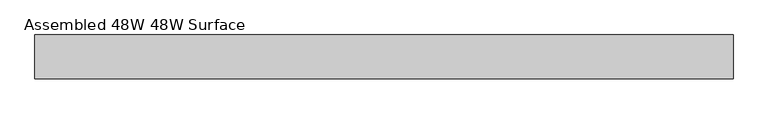
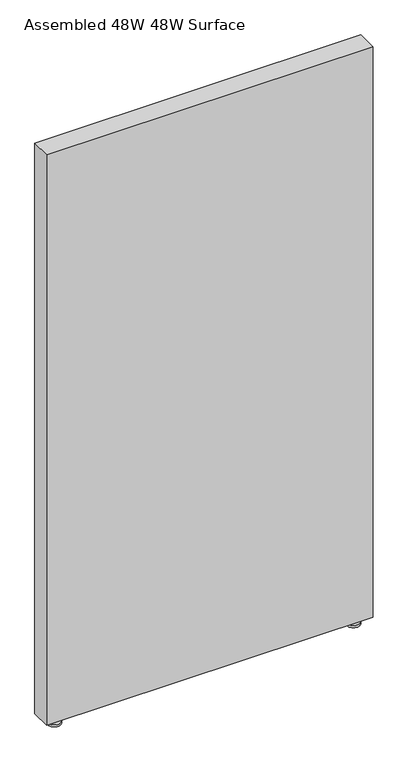
"""IFC4 building model written with IfcOpenShell, lengths in millimetres: furniture geometry, Assembled 48W 48W Surface."""

from ifc_helpers import new_model, si_unit, frame, origin, place, context, project, spatial, polyline, circle_curve, outline, extrude, source, transform, mapped, element, save
from ifc_brep_helpers import plane_surface, cylinder_surface, advanced_brep


def assembled_48w_48w_surface_02d0f17e(model_context):
    return source(origin(), model_context, "Body", "SolidModel", [
        advanced_brep(
        [(1144.6500083, 50.7999992, 0.0), (1192.1500159, 50.7999992, 0.0), (1168.4000121, 50.7999992, 0.0), (1144.6500083, 50.7999992, 8.0944096), (1192.1500159, 50.7999992, 8.0944096), (1163.6375121, 50.7999992, 8.0944096), (1173.1625121, 50.7999992, 8.0944096), (1163.6375121, 50.7999992, 30.1625008), (1173.1625121, 50.7999992, 30.1625008), (1168.4000121, 50.7999992, 30.1625008)],
        [
            (0, 1, circle_curve(frame((1168.4000121, 50.7999992, 0.0), z_axis=(0.0, 0.0, -1.0), x_axis=(1.0, 0.0, 0.0)), 23.7500038)),
            (1, 2),
            (2, 0),
            (1, 0, circle_curve(frame((1168.4000121, 50.7999992, 0.0), z_axis=(0.0, 0.0, -1.0), x_axis=(1.0, 0.0, 0.0)), 23.7500038)),
            (3, 4, circle_curve(frame((1168.4000121, 50.7999992, 8.0944096), z_axis=(0.0, 0.0, -1.0), x_axis=(1.0, 0.0, 0.0)), 23.7500038)),
            (4, 1),
            (0, 3),
            (4, 3, circle_curve(frame((1168.4000121, 50.7999992, 8.0944096), z_axis=(0.0, 0.0, -1.0), x_axis=(1.0, 0.0, 0.0)), 23.7500038)),
            (5, 6, circle_curve(frame((1168.4000121, 50.7999992, 8.0944096), z_axis=(0.0, 0.0, -1.0), x_axis=(1.0, 0.0, 0.0)), 4.7625)),
            (6, 4),
            (3, 5),
            (6, 5, circle_curve(frame((1168.4000121, 50.7999992, 8.0944096), z_axis=(0.0, 0.0, -1.0), x_axis=(1.0, 0.0, 0.0)), 4.7625)),
            (7, 8, circle_curve(frame((1168.4000121, 50.7999992, 30.1625008), z_axis=(0.0, 0.0, -1.0), x_axis=(1.0, 0.0, 0.0)), 4.7625)),
            (8, 6),
            (5, 7),
            (8, 7, circle_curve(frame((1168.4000121, 50.7999992, 30.1625008), z_axis=(0.0, 0.0, -1.0), x_axis=(1.0, 0.0, 0.0)), 4.7625)),
            (9, 8),
            (7, 9),
        ],
        [
            plane_surface(frame((1168.4000121, 50.7999992, 0.0), z_axis=(0.0, 0.0, -1.0), x_axis=(1.0, 0.0, 0.0))),
            cylinder_surface(frame((1168.4000121, 50.7999992, 30.1625008), z_axis=(0.0, 0.0, 1.0), x_axis=(1.0, 0.0, 0.0)), 23.7500038),
            plane_surface(frame((1168.4000121, 50.7999992, 8.0944096), z_axis=(0.0, 0.0, 1.0), x_axis=(1.0, 0.0, 0.0))),
            cylinder_surface(frame((1168.4000121, 50.7999992, 30.1625008), z_axis=(0.0, 0.0, 1.0), x_axis=(1.0, 0.0, 0.0)), 4.7625),
            plane_surface(frame((1168.4000121, 50.7999992, 30.1625008), z_axis=(0.0, 0.0, 1.0), x_axis=(1.0, 0.0, 0.0))),
        ],
        [
            (0, [[1, 2, 3]]),
            (0, [[4, -3, -2]]),
            (1, [[5, 6, -1, 7]]),
            (1, [[8, -7, -4, -6]]),
            (2, [[9, 10, -5, 11]]),
            (2, [[12, -11, -8, -10]]),
            (3, [[13, 14, -9, 15]]),
            (3, [[16, -15, -12, -14]]),
            (4, [[17, -13, 18]]),
            (4, [[-18, -16, -17]]),
        ],
    ),
        advanced_brep(
        [(46.0375015, 50.7999992, 30.1625008), (55.5625015, 50.7999992, 30.1625008), (55.5625015, 50.7999992, 8.0944096), (46.0375015, 50.7999992, 8.0944096), (50.8000015, 50.7999992, 30.1625008), (26.9875015, 50.7999992, 0.0), (74.6125015, 50.7999992, 0.0), (50.8000015, 50.7999992, 0.0), (26.9875015, 50.7999992, 8.0944096), (74.6125015, 50.7999992, 8.0944096)],
        [
            (0, 1, circle_curve(frame((50.8000015, 50.7999992, 30.1625008), z_axis=(0.0, 0.0, -1.0), x_axis=(1.0, 0.0, 0.0)), 4.7625)),
            (1, 2),
            (2, 3, circle_curve(frame((50.8000015, 50.7999992, 8.0944096), z_axis=(0.0, 0.0, 1.0), x_axis=(1.0, 0.0, 0.0)), 4.7625)),
            (3, 0),
            (1, 0, circle_curve(frame((50.8000015, 50.7999992, 30.1625008), z_axis=(0.0, 0.0, -1.0), x_axis=(1.0, 0.0, 0.0)), 4.7625)),
            (3, 2, circle_curve(frame((50.8000015, 50.7999992, 8.0944096), z_axis=(0.0, 0.0, 1.0), x_axis=(1.0, 0.0, 0.0)), 4.7625)),
            (4, 1),
            (0, 4),
            (5, 6, circle_curve(frame((50.8000015, 50.7999992, 0.0), z_axis=(0.0, 0.0, -1.0), x_axis=(1.0, 0.0, 0.0)), 23.8125)),
            (6, 7),
            (7, 5),
            (6, 5, circle_curve(frame((50.8000015, 50.7999992, 0.0), z_axis=(0.0, 0.0, -1.0), x_axis=(1.0, 0.0, 0.0)), 23.8125)),
            (8, 9, circle_curve(frame((50.8000015, 50.7999992, 8.0944096), z_axis=(0.0, 0.0, -1.0), x_axis=(1.0, 0.0, 0.0)), 23.8125)),
            (9, 6),
            (5, 8),
            (9, 8, circle_curve(frame((50.8000015, 50.7999992, 8.0944096), z_axis=(0.0, 0.0, -1.0), x_axis=(1.0, 0.0, 0.0)), 23.8125)),
            (2, 9),
            (8, 3),
        ],
        [
            cylinder_surface(frame((50.8000015, 50.7999992, 30.1625008), z_axis=(0.0, 0.0, 1.0), x_axis=(1.0, 0.0, 0.0)), 4.7625),
            plane_surface(frame((50.8000015, 50.7999992, 30.1625008), z_axis=(0.0, 0.0, 1.0), x_axis=(1.0, 0.0, 0.0))),
            plane_surface(frame((50.8000015, 50.7999992, 0.0), z_axis=(0.0, 0.0, -1.0), x_axis=(1.0, 0.0, 0.0))),
            cylinder_surface(frame((50.8000015, 50.7999992, 30.1625008), z_axis=(0.0, 0.0, 1.0), x_axis=(1.0, 0.0, 0.0)), 23.8125),
            plane_surface(frame((50.8000015, 50.7999992, 8.0944096), z_axis=(0.0, 0.0, 1.0), x_axis=(1.0, 0.0, 0.0))),
        ],
        [
            (0, [[1, 2, 3, 4]]),
            (0, [[5, -4, 6, -2]]),
            (1, [[7, -1, 8]]),
            (1, [[-8, -5, -7]]),
            (2, [[9, 10, 11]]),
            (2, [[12, -11, -10]]),
            (3, [[13, 14, -9, 15]]),
            (3, [[16, -15, -12, -14]]),
            (4, [[-3, 17, -13, 18]]),
            (4, [[-6, -18, -16, -17]]),
        ],
    ),
        extrude(outline(polyline([(0.0, 12.7000004), (0.0, 88.899997), (1219.2, 88.899997), (1219.2, 12.7000004), (0.0, 12.7000004)])), frame((0.0, 0.0, 30.1625008), z_axis=(0.0, 0.0, 1.0), x_axis=(1.0, 0.0, 0.0)), (0.0, 0.0, 1.0), 2252.6625477),
    ])


if __name__ == "__main__":
    model = new_model("IFC4")
    model_context = context("Model", 3, world=origin())
    ifc_project = project(units=[si_unit("LENGTHUNIT", "METRE", prefix="MILLI")], contexts=[model_context])
    site = spatial("IfcSite", under=ifc_project)
    building = spatial("IfcBuilding", under=site)
    placement = place(None, origin())
    assembled_48w_48w_surface_shape = assembled_48w_48w_surface_02d0f17e(model_context)
    element("IfcFurniture", 1, ObjectType="Assembled 48W 48W Surface", at=placement, inside=building, context=model_context, shape_type="MappedRepresentation", body=[
        mapped(assembled_48w_48w_surface_shape, transform((0.0, 0.0, 0.0), x_axis=(1.0, 0.0, 0.0), y_axis=(0.0, 1.0, 0.0), z_axis=(0.0, 0.0, 1.0))),
    ])
    save(model, "model.ifc")
